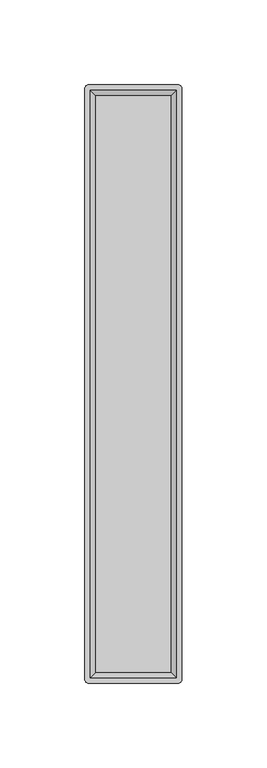
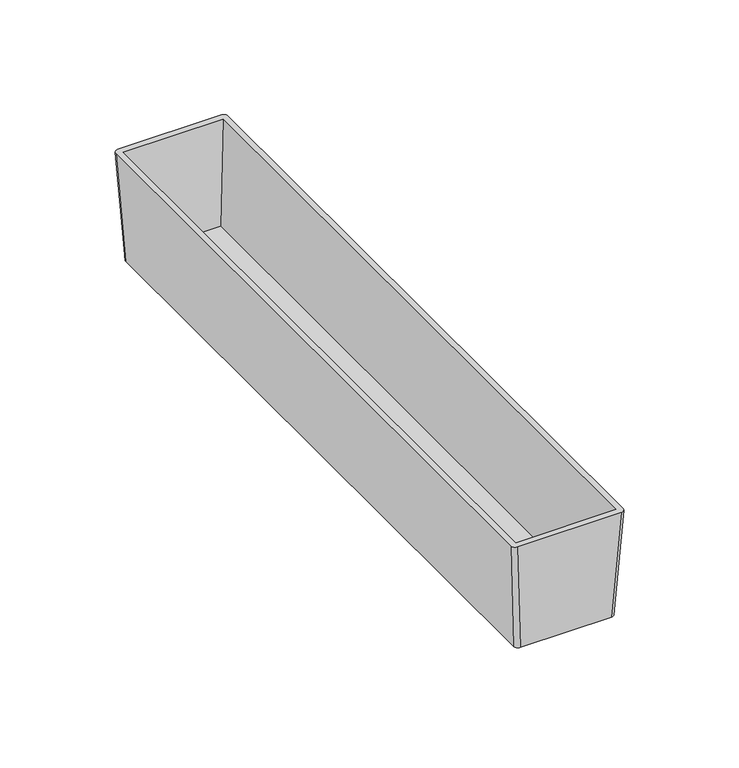
"""IFC4 building model written with IfcOpenShell, lengths in millimetres: furniture geometry."""

from ifc_helpers import new_model, si_unit, point, frame, origin, place, context, project, spatial, circle_curve, trimmed, source, transform, mapped, element, save
from ifc_brep_helpers import plane_surface, extruded_surface, advanced_brep


def furniture_05d24941(model_context):
    return source(origin(), model_context, "Body", "AdvancedBrep", [
        advanced_brep(
        [(23.1775, 173.0375, -57.15), (25.4, 170.815, -57.15), (25.4, -170.815, -57.15), (23.1775, -173.0375, -57.15), (-23.1775, -173.0375, -57.15), (-25.4, -170.815, -57.15), (-25.4, 170.815, -57.15), (-23.1775, 173.0375, -57.15), (26.3525, 176.2125, 0.0), (-26.3525, 176.2125, 0.0), (-28.575, 173.99, 0.0), (-28.575, -173.99, 0.0), (-26.3525, -176.2125, 0.0), (26.3525, -176.2125, 0.0), (28.575, -173.99, 0.0), (28.575, 173.99, 0.0), (-25.4, 173.0375, 0.0), (25.4, 173.0375, 0.0), (25.4, -173.0375, 0.0), (-25.4, -173.0375, 0.0), (22.225, 169.8625, -54.61), (-22.225, 169.8625, -54.61), (-22.225, -169.8625, -54.61), (22.225, -169.8625, -54.61)],
        [
            (0, 1, circle_curve(frame((23.1775, 170.815, -57.15), z_axis=(0.0, 0.0, -1.0), x_axis=(-1.0, 0.0, 0.0)), 2.2225)),
            (1, 2),
            (2, 3, circle_curve(frame((23.1775, -170.815, -57.15), z_axis=(0.0, 0.0, -1.0), x_axis=(-1.0, 0.0, 0.0)), 2.2225)),
            (3, 4),
            (4, 5, circle_curve(frame((-23.1775, -170.815, -57.15), z_axis=(0.0, 0.0, -1.0), x_axis=(-1.0, 0.0, 0.0)), 2.2225)),
            (5, 6),
            (6, 7, circle_curve(frame((-23.1775, 170.815, -57.15), z_axis=(0.0, 0.0, -1.0), x_axis=(-1.0, 0.0, 0.0)), 2.2225)),
            (7, 0),
            (8, 9),
            (9, 10, circle_curve(frame((-26.3525, 173.99, 0.0), z_axis=(0.0, 0.0, 1.0), x_axis=(-1.0, 0.0, 0.0)), 2.2225)),
            (10, 11),
            (11, 12, circle_curve(frame((-26.3525, -173.99, 0.0), z_axis=(0.0, 0.0, 1.0), x_axis=(-1.0, 0.0, 0.0)), 2.2225)),
            (12, 13),
            (13, 14, circle_curve(frame((26.3525, -173.99, 0.0), z_axis=(0.0, 0.0, 1.0), x_axis=(-1.0, 0.0, 0.0)), 2.2225)),
            (14, 15),
            (15, 8, circle_curve(frame((26.3525, 173.99, 0.0), z_axis=(0.0, 0.0, 1.0), x_axis=(-1.0, 0.0, 0.0)), 2.2225)),
            (16, 17),
            (17, 18),
            (18, 19),
            (19, 16),
            (7, 9),
            (8, 0),
            (6, 10),
            (5, 11),
            (4, 12),
            (3, 13),
            (2, 14),
            (1, 15),
            (20, 21),
            (21, 22),
            (22, 23),
            (23, 20),
            (20, 17),
            (16, 21),
            (19, 22),
            (18, 23),
        ],
        [
            plane_surface(frame((0.0, 0.0, -57.15), z_axis=(0.0, 0.0, -1.0), x_axis=(-1.0, 0.0, 0.0))),
            plane_surface(frame((0.0, 0.0, 0.0), z_axis=(0.0, 0.0, 1.0), x_axis=(-1.0, 0.0, 0.0))),
            plane_surface(frame((0.0, 176.2125, 0.0), z_axis=(0.0, 0.9984603532054985, -0.055470019620974004), x_axis=(1.0, 0.0, 0.0))),
            extruded_surface(trimmed(circle_curve(frame((-26.3525, 173.99, 0.0), z_axis=(0.0, 0.0, -1.0), x_axis=(-1.0, 0.0, 0.0)), 2.2225), [point((-28.575, 173.99, 0.0))], [point((-26.3525, 176.2125, 0.0))], True, "CARTESIAN"), (3.1750000000000007, -3.1750000000000114, -57.15), 57.32611752072523),
            plane_surface(frame((-28.575, 0.0, 0.0), z_axis=(-0.9984603532054228, 0.0, -0.05547001962233687), x_axis=(0.0, 1.0, 0.0))),
            extruded_surface(trimmed(circle_curve(frame((-26.3525, -173.99, 0.0), z_axis=(0.0, 0.0, -1.0), x_axis=(-1.0, 0.0, 0.0)), 2.2225), [point((-26.3525, -176.2125, 0.0))], [point((-28.575, -173.99, 0.0))], True, "CARTESIAN"), (3.1750000000000007, 3.1750000000000114, -57.15), 57.32611752072523),
            plane_surface(frame((0.0, -176.2125, 0.0), z_axis=(0.0, -0.9984603532054979, -0.05547001962098697), x_axis=(-1.0, 0.0, 0.0))),
            extruded_surface(trimmed(circle_curve(frame((26.3525, -173.99, 0.0), z_axis=(0.0, 0.0, -1.0), x_axis=(-1.0, 0.0, 0.0)), 2.2225), [point((28.575, -173.99, 0.0))], [point((26.3525, -176.2125, 0.0))], True, "CARTESIAN"), (-3.1750000000000007, 3.1750000000000114, -57.15), 57.32611752072523),
            plane_surface(frame((28.575, 0.0, 0.0), z_axis=(0.9984603532054152, 0.0, -0.05547001962247437), x_axis=(0.0, -1.0, 0.0))),
            extruded_surface(trimmed(circle_curve(frame((26.3525, 173.99, 0.0), z_axis=(0.0, 0.0, -1.0), x_axis=(-1.0, 0.0, 0.0)), 2.2225), [point((26.3525, 176.2125, 0.0))], [point((28.575, 173.99, 0.0))], True, "CARTESIAN"), (-3.1750000000000007, -3.1750000000000114, -57.15), 57.32611752072523),
            plane_surface(frame((0.0, 0.0, -54.61), z_axis=(0.0, 0.0, 1.0), x_axis=(-1.0, 0.0, 0.0))),
            plane_surface(frame((0.0, 173.0375, 0.0), z_axis=(0.0, -0.9983141698791151, 0.05804152150463695), x_axis=(1.0, 0.0, 0.0))),
            plane_surface(frame((-25.4, 0.0, 0.0), z_axis=(0.9983141698791163, 0.0, 0.058041521504619525), x_axis=(0.0, 1.0, 0.0))),
            plane_surface(frame((0.0, -173.0375, 0.0), z_axis=(0.0, 0.9983141698789251, 0.058041521507905786), x_axis=(-1.0, 0.0, 0.0))),
            plane_surface(frame((25.4, 0.0, 0.0), z_axis=(-0.998314169879097, 0.0, 0.058041521504948464), x_axis=(0.0, -1.0, 0.0))),
        ],
        [
            (0, [[1, 2, 3, 4, 5, 6, 7, 8]]),
            (1, [[9, 10, 11, 12, 13, 14, 15, 16], [17, 18, 19, 20]]),
            (2, [[-8, 21, -9, 22]]),
            (3, [[-7, 23, -10, -21]]),
            (4, [[-6, 24, -11, -23]]),
            (5, [[-5, 25, -12, -24]]),
            (6, [[-4, 26, -13, -25]]),
            (7, [[-3, 27, -14, -26]]),
            (8, [[-2, 28, -15, -27]]),
            (9, [[-1, -22, -16, -28]]),
            (10, [[29, 30, 31, 32]]),
            (11, [[-29, 33, -17, 34]]),
            (12, [[-30, -34, -20, 35]]),
            (13, [[-31, -35, -19, 36]]),
            (14, [[-32, -36, -18, -33]]),
        ],
    ),
    ])


if __name__ == "__main__":
    model = new_model("IFC4")
    model_context = context("Model", 3, world=origin())
    ifc_project = project(units=[si_unit("LENGTHUNIT", "METRE", prefix="MILLI")], contexts=[model_context])
    site = spatial("IfcSite", under=ifc_project)
    building = spatial("IfcBuilding", under=site)
    placement = place(None, origin())
    furniture_shape = furniture_05d24941(model_context)
    element("IfcFurniture", 1, at=placement, inside=building, context=model_context, shape_type="MappedRepresentation", body=[
        mapped(furniture_shape, transform((0.0, 0.0, 0.0), x_axis=(1.0, 0.0, 0.0), y_axis=(0.0, 1.0, 0.0), z_axis=(0.0, 0.0, 1.0))),
    ])
    save(model, "model.ifc")
